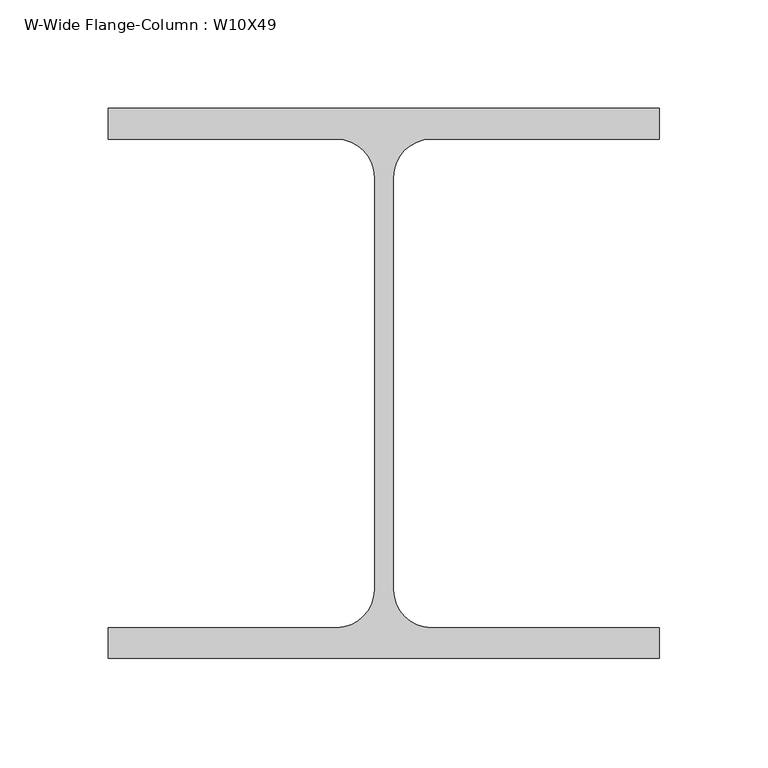
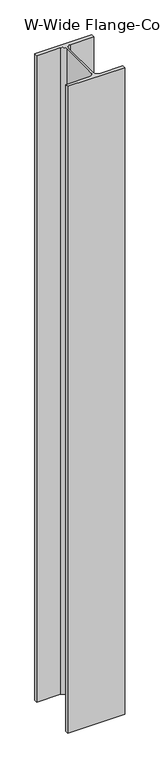
"""IFC4 building model written with IfcOpenShell, lengths in millimetres: column geometry, W-Wide Flange-Column : W10X49."""

import ifcopenshell
import ifcopenshell.guid

model = None  # the IFC model being written
_history = None  # IfcOwnerHistory: only IFC2X3 demands one
_inside = {}  # id of a spatial element -> (the spatial element, [elements in it])
_under = {}  # id of a project, library or spatial element -> (it, [spatial elements below it])
_declared = {}  # id of a project -> (the project, [libraries it declares])
_typed = {}  # id of a type object -> (the type object, [elements of that type])
_made_of = {}  # id of a material, layer set ... -> (it, [elements and type objects made of it])


def new_model(schema):
    """Start an empty IFC model of exactly this schema.

    Asked for "IFC4X3", IfcOpenShell would pick the latest addendum, in which some entities
    have other attributes; the version numbers below select the first issue.
    IFC2X3 requires an IfcOwnerHistory on every rooted entity: one is made here for all.
    """
    global model, _history
    if schema == "IFC4X3":
        model = ifcopenshell.file(schema_version=(4, 3, 0, 0))
    else:
        model = ifcopenshell.file(schema=schema)
    _inside.clear()
    _under.clear()
    _declared.clear()
    _typed.clear()
    _made_of.clear()
    _history = None
    if model.schema == "IFC2X3":
        org = make("IfcOrganization", Name="unknown")
        user = make(
            "IfcPersonAndOrganization",
            ThePerson=make("IfcPerson", FamilyName="unknown"),
            TheOrganization=org,
        )
        app = make(
            "IfcApplication",
            ApplicationDeveloper=org,
            Version="unknown",
            ApplicationFullName="unknown",
            ApplicationIdentifier="unknown",
        )
        _history = make(
            "IfcOwnerHistory",
            OwningUser=user,
            OwningApplication=app,
            ChangeAction="ADDED",
            CreationDate=0,
        )
    return model


def make(cls, **values):
    """One entity of the class cls with the attributes given. An attribute that is None is left unset."""
    return model.create_entity(
        cls, **{name: value for name, value in values.items() if value is not None}
    )


def rooted(cls, **values):
    """An entity with a GlobalId (a new one), such as an element, a storey or a relation."""
    return make(cls, GlobalId=ifcopenshell.guid.new(), OwnerHistory=_history, **values)


def si_unit(unit_type, name, prefix=None):
    """IfcSIUnit, for example si_unit("LENGTHUNIT", "METRE", prefix="MILLI")."""
    return make("IfcSIUnit", UnitType=unit_type, Prefix=prefix, Name=name)


def assignment(units):
    """IfcUnitAssignment: the units of a project."""
    return None if units is None else make("IfcUnitAssignment", Units=units)


def point(xyz):
    """IfcCartesianPoint."""
    return None if xyz is None else make("IfcCartesianPoint", Coordinates=xyz)


def direction(xyz):
    """IfcDirection."""
    return None if xyz is None else make("IfcDirection", DirectionRatios=xyz)


def frame(location, z_axis=None, x_axis=None):
    """IfcAxis2Placement3D, a coordinate frame: its origin and axes. An axis left out is left unset."""
    return make(
        "IfcAxis2Placement3D",
        Location=point(location),
        Axis=direction(z_axis),
        RefDirection=direction(x_axis),
    )


def frame_2d(location, x_axis=None):
    """IfcAxis2Placement2D, a coordinate frame in the plane: its origin and x axis."""
    return make(
        "IfcAxis2Placement2D", Location=point(location), RefDirection=direction(x_axis)
    )


def origin():
    """The frame at (0, 0, 0) with its axes left unset."""
    return frame((0.0, 0.0, 0.0))


def place(relative_to, where):
    """IfcLocalPlacement: puts the frame where relative to a parent placement (None: the world)."""
    return make(
        "IfcLocalPlacement", PlacementRelTo=relative_to, RelativePlacement=where
    )


def context(
    kind, dimensions, precision=None, world=None, true_north=None, identifier=None
):
    """IfcGeometricRepresentationContext, for example the 3D "Model" context."""
    return make(
        "IfcGeometricRepresentationContext",
        ContextIdentifier=identifier,
        ContextType=kind,
        CoordinateSpaceDimension=dimensions,
        Precision=precision,
        WorldCoordinateSystem=world,
        TrueNorth=true_north,
    )


def project(units=None, contexts=None):
    """IfcProject with its units and contexts."""
    return rooted(
        "IfcProject",
        Name="project",
        RepresentationContexts=contexts,
        UnitsInContext=assignment(units),
    )


def spatial(cls, under=None, at=None, **own):
    """A site, building, storey or space (cls), placed at a placement, below another one or the project."""
    s = rooted(cls, ObjectPlacement=at, **own)
    if under is not None:
        _under.setdefault(under.id(), (under, []))[1].append(s)
    return s


def polyline(points):
    """IfcPolyline through the points."""
    return make("IfcPolyline", Points=[point(p) for p in points])


def circle_curve(where, radius):
    """IfcCircle in the frame where."""
    return make("IfcCircle", Position=where, Radius=radius)


def trimmed(basis, trim1, trim2, sense, master):
    """IfcTrimmedCurve: the piece of a basis curve between two trims."""
    return make(
        "IfcTrimmedCurve",
        BasisCurve=basis,
        Trim1=trim1,
        Trim2=trim2,
        SenseAgreement=sense,
        MasterRepresentation=master,
    )


def segment(curve, same_sense, transition):
    """IfcCompositeCurveSegment."""
    return make(
        "IfcCompositeCurveSegment",
        Transition=transition,
        SameSense=same_sense,
        ParentCurve=curve,
    )


def composite_curve(segments, self_intersect=None):
    """IfcCompositeCurve: segments joined end to end."""
    return make("IfcCompositeCurve", Segments=segments, SelfIntersect=self_intersect)


def outline(outer, holes=None, kind="AREA"):
    """IfcArbitraryClosedProfileDef: a profile drawn as a closed curve; with holes, ...WithVoids."""
    if holes is None:
        return make("IfcArbitraryClosedProfileDef", ProfileType=kind, OuterCurve=outer)
    return make(
        "IfcArbitraryProfileDefWithVoids",
        ProfileType=kind,
        OuterCurve=outer,
        InnerCurves=holes,
    )


def extrude(swept, where, along, depth):
    """IfcExtrudedAreaSolid: the profile swept, set in the frame where, extruded along a direction by depth."""
    return make(
        "IfcExtrudedAreaSolid",
        SweptArea=swept,
        Position=where,
        ExtrudedDirection=direction(along),
        Depth=depth,
    )


def shape(context_of_items, identifier, shape_type, items):
    """IfcShapeRepresentation: the items that make up one representation, for example the "Body"."""
    return make(
        "IfcShapeRepresentation",
        ContextOfItems=context_of_items,
        RepresentationIdentifier=identifier,
        RepresentationType=shape_type,
        Items=items,
    )


def source(mapping_origin, context_of_items, identifier, shape_type, items):
    """IfcRepresentationMap: a shape defined once, which mapped items show again and again."""
    return make(
        "IfcRepresentationMap",
        MappingOrigin=mapping_origin,
        MappedRepresentation=shape(context_of_items, identifier, shape_type, items),
    )


def transform(
    local_origin,
    x_axis=None,
    y_axis=None,
    z_axis=None,
    scale=None,
    scale2=None,
    scale3=None,
    uniform=True,
):
    """IfcCartesianTransformationOperator3D, or its non-uniform kind. x_axis, y_axis, z_axis: its Axis1, 2, 3."""
    if uniform:
        return make(
            "IfcCartesianTransformationOperator3D",
            Axis1=direction(x_axis),
            Axis2=direction(y_axis),
            LocalOrigin=point(local_origin),
            Scale=scale,
            Axis3=direction(z_axis),
        )
    return make(
        "IfcCartesianTransformationOperator3DnonUniform",
        Axis1=direction(x_axis),
        Axis2=direction(y_axis),
        LocalOrigin=point(local_origin),
        Scale=scale,
        Axis3=direction(z_axis),
        Scale2=scale2,
        Scale3=scale3,
    )


def mapped(mapping_source, mapping_target):
    """IfcMappedItem: shows the shape of a source again, moved by a transform."""
    return make(
        "IfcMappedItem", MappingSource=mapping_source, MappingTarget=mapping_target
    )


def made_of(thing, what):
    """Note that an element or type object is made of a material, layer set ...; save() writes the relation."""
    if what is not None:
        _made_of.setdefault(what.id(), (what, []))[1].append(thing)
    return thing


def element(
    cls,
    number,
    at=None,
    inside=None,
    cuts=None,
    type_object=None,
    material=None,
    context=None,
    identifier="Body",
    shape_type=None,
    held_by="IfcProductDefinitionShape",
    body=None,
    shapes=None,
    **own,
):
    """One element of the class cls, such as IfcWall. Its Tag is "e" and its number.

    at: its placement. inside: the storey or other place that contains it. cuts: it is an
    opening in that element (IfcRelVoidsElement). A single representation is given by context,
    identifier, shape_type and body (its items); several are given by shapes. held_by: the class
    of the entity that holds the representations. save() writes the other relations.
    """
    e = rooted(cls, Tag="e%d" % number, ObjectPlacement=at, **own)
    if body is not None:
        shapes = [shape(context, identifier, shape_type, body)]
    if shapes is not None:
        e.Representation = make(held_by, Representations=shapes)
    if inside is not None:
        _inside.setdefault(inside.id(), (inside, []))[1].append(e)
    if cuts is not None:
        rooted(
            "IfcRelVoidsElement", RelatingBuildingElement=cuts, RelatedOpeningElement=e
        )
    if type_object is not None:
        _typed.setdefault(type_object.id(), (type_object, []))[1].append(e)
    return made_of(e, material)


def aggregate(whole, parts):
    """IfcRelAggregates: a whole, such as a stair, and the parts it consists of."""
    return rooted("IfcRelAggregates", RelatingObject=whole, RelatedObjects=parts)


def save(model, path):
    """Write the relations noted so far, then the file.

    IfcRelAggregates (storeys below a building ...), IfcRelContainedInSpatialStructure (elements
    in a storey), IfcRelDefinesByType, IfcRelAssociatesMaterial and IfcRelDeclares: one each for
    every whole, place, type object, material and project.
    """
    for whole, parts in _under.values():
        aggregate(whole, parts)
    for where, things in _inside.values():
        rooted(
            "IfcRelContainedInSpatialStructure",
            RelatedElements=things,
            RelatingStructure=where,
        )
    for kind, things in _typed.values():
        rooted("IfcRelDefinesByType", RelatedObjects=things, RelatingType=kind)
    for what, things in _made_of.values():
        rooted("IfcRelAssociatesMaterial", RelatedObjects=things, RelatingMaterial=what)
    for by, libraries in _declared.values():
        rooted("IfcRelDeclares", RelatingContext=by, RelatedDefinitions=libraries)
    model.write(path)


def w_wide_flange_column_w10x49_6875d9c8(model_context):
    return source(origin(), model_context, "Body", "SweptSolid", [
        extrude(outline(composite_curve([segment(polyline([(127.0, 126.7519531), (127.0, 112.5636719), (21.8777344, 112.5636719)]), True, "CONTINUOUS"), segment(trimmed(circle_curve(frame_2d((21.8777344, 95.0019531)), 17.5617188), [point((21.8777344, 112.5636719))], [point((4.3160156, 95.0019531))], True, "CARTESIAN"), True, "CONTINUOUS"), segment(polyline([(4.3160156, 95.0019531), (4.3160156, -95.0019531)]), True, "CONTINUOUS"), segment(trimmed(circle_curve(frame_2d((21.8777344, -95.0019531)), 17.5617187), [point((4.3160156, -95.0019531))], [point((21.8777344, -112.5636719))], True, "CARTESIAN"), True, "CONTINUOUS"), segment(polyline([(21.8777344, -112.5636719), (127.0, -112.5636719), (127.0, -126.7519531), (-127.0, -126.7519531), (-127.0, -112.5636719), (-21.8777344, -112.5636719)]), True, "CONTINUOUS"), segment(trimmed(circle_curve(frame_2d((-21.8777344, -95.0019531)), 17.5617187), [point((-21.8777344, -112.5636719))], [point((-4.3160156, -95.0019531))], True, "CARTESIAN"), True, "CONTINUOUS"), segment(polyline([(-4.3160156, -95.0019531), (-4.3160156, 95.0019531)]), True, "CONTINUOUS"), segment(trimmed(circle_curve(frame_2d((-21.8777344, 95.0019531)), 17.5617188), [point((-4.3160156, 95.0019531))], [point((-21.8777344, 112.5636719))], True, "CARTESIAN"), True, "CONTINUOUS"), segment(polyline([(-21.8777344, 112.5636719), (-127.0, 112.5636719), (-127.0, 126.7519531), (127.0, 126.7519531)]), True, "CONTINUOUS")], self_intersect=False)), frame((0.0, 0.0, 7759.7), z_axis=(0.0, 0.0, 1.0), x_axis=(1.0, 0.0, 0.0)), (0.0, 0.0, 1.0), 3048.0),
    ])


if __name__ == "__main__":
    model = new_model("IFC4")
    model_context = context("Model", 3, world=origin())
    ifc_project = project(units=[si_unit("LENGTHUNIT", "METRE", prefix="MILLI")], contexts=[model_context])
    site = spatial("IfcSite", under=ifc_project)
    building = spatial("IfcBuilding", under=site)
    placement = place(None, origin())
    w_wide_flange_column_w10x49_shape = w_wide_flange_column_w10x49_6875d9c8(model_context)
    element("IfcColumn", 1, ObjectType="W-Wide Flange-Column : W10X49", at=placement, inside=building, context=model_context, shape_type="MappedRepresentation", body=[
        mapped(w_wide_flange_column_w10x49_shape, transform((0.0, 0.0, 0.0), x_axis=(1.0, 0.0, 0.0), y_axis=(0.0, 1.0, 0.0), z_axis=(0.0, 0.0, 1.0))),
    ])
    save(model, "model.ifc")
